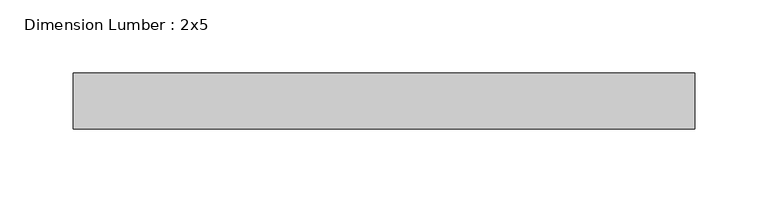
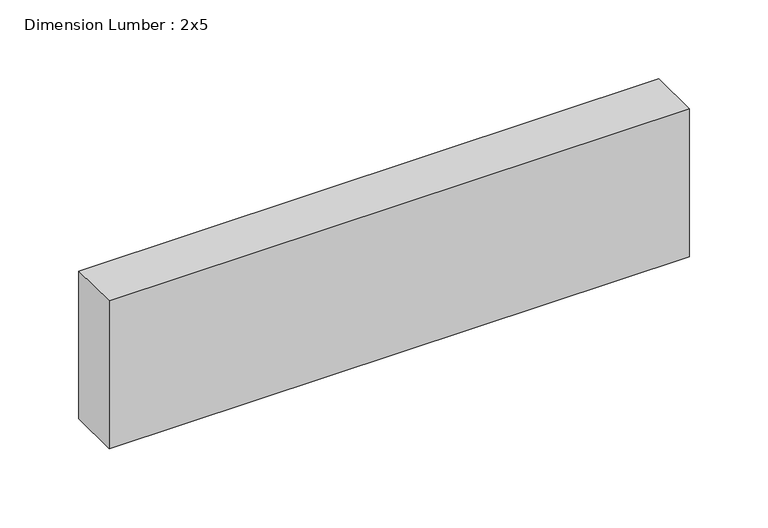
"""IFC4 building model written with IfcOpenShell, lengths in millimetres: beam geometry, Dimension Lumber : 2x5."""

from ifc_helpers import new_model, si_unit, frame, origin, place, context, project, spatial, polyline, outline, extrude, source, transform, mapped, element, save


def dimension_lumber_2x5_292480ed(model_context):
    return source(origin(), model_context, "Body", "SweptSolid", [
        extrude(outline(polyline([(211.327785, 19.05), (211.327785, -19.05), (-212.7514727, -19.05), (-212.7514727, 19.05), (211.327785, 19.05)])), frame((0.0, 0.0, -57.15), z_axis=(0.0, 0.0, 1.0), x_axis=(1.0, 0.0, 0.0)), (0.0, 0.0, 1.0), 114.3),
    ])


if __name__ == "__main__":
    model = new_model("IFC4")
    model_context = context("Model", 3, world=origin())
    ifc_project = project(units=[si_unit("LENGTHUNIT", "METRE", prefix="MILLI")], contexts=[model_context])
    site = spatial("IfcSite", under=ifc_project)
    building = spatial("IfcBuilding", under=site)
    placement = place(None, origin())
    dimension_lumber_2x5_shape = dimension_lumber_2x5_292480ed(model_context)
    element("IfcBeam", 1, ObjectType="Dimension Lumber : 2x5", at=placement, inside=building, context=model_context, shape_type="MappedRepresentation", body=[
        mapped(dimension_lumber_2x5_shape, transform((0.0, 0.0, 0.0), x_axis=(1.0, 0.0, 0.0), y_axis=(0.0, 1.0, 0.0), z_axis=(0.0, 0.0, 1.0))),
    ])
    save(model, "model.ifc")
